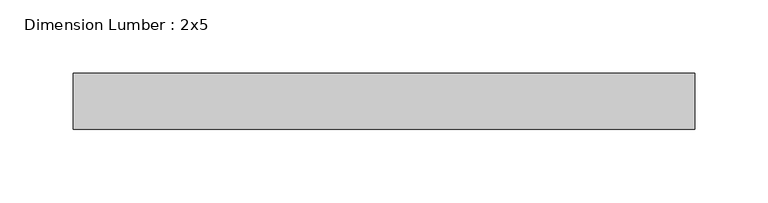
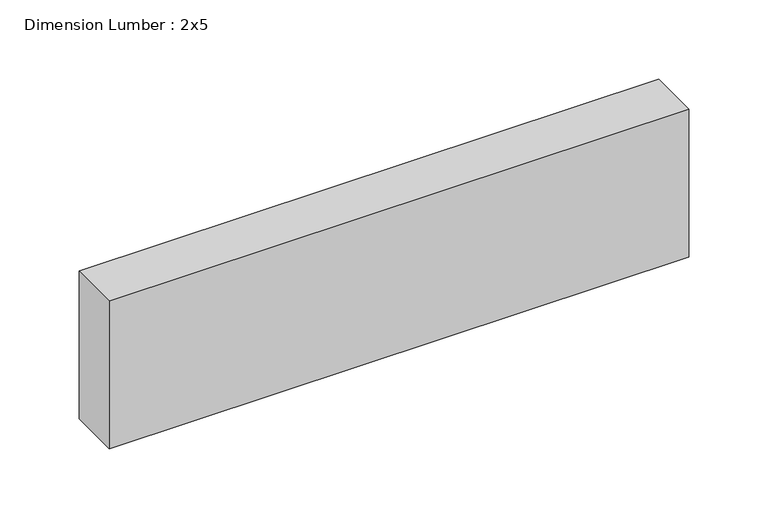
"""IFC4 building model written with IfcOpenShell, lengths in millimetres: beam geometry, Dimension Lumber : 2x5."""

import ifcopenshell
import ifcopenshell.guid

model = None  # the IFC model being written
_history = None  # IfcOwnerHistory: only IFC2X3 demands one
_inside = {}  # id of a spatial element -> (the spatial element, [elements in it])
_under = {}  # id of a project, library or spatial element -> (it, [spatial elements below it])
_declared = {}  # id of a project -> (the project, [libraries it declares])
_typed = {}  # id of a type object -> (the type object, [elements of that type])
_made_of = {}  # id of a material, layer set ... -> (it, [elements and type objects made of it])


def new_model(schema):
    """Start an empty IFC model of exactly this schema.

    Asked for "IFC4X3", IfcOpenShell would pick the latest addendum, in which some entities
    have other attributes; the version numbers below select the first issue.
    IFC2X3 requires an IfcOwnerHistory on every rooted entity: one is made here for all.
    """
    global model, _history
    if schema == "IFC4X3":
        model = ifcopenshell.file(schema_version=(4, 3, 0, 0))
    else:
        model = ifcopenshell.file(schema=schema)
    _inside.clear()
    _under.clear()
    _declared.clear()
    _typed.clear()
    _made_of.clear()
    _history = None
    if model.schema == "IFC2X3":
        org = make("IfcOrganization", Name="unknown")
        user = make(
            "IfcPersonAndOrganization",
            ThePerson=make("IfcPerson", FamilyName="unknown"),
            TheOrganization=org,
        )
        app = make(
            "IfcApplication",
            ApplicationDeveloper=org,
            Version="unknown",
            ApplicationFullName="unknown",
            ApplicationIdentifier="unknown",
        )
        _history = make(
            "IfcOwnerHistory",
            OwningUser=user,
            OwningApplication=app,
            ChangeAction="ADDED",
            CreationDate=0,
        )
    return model


def make(cls, **values):
    """One entity of the class cls with the attributes given. An attribute that is None is left unset."""
    return model.create_entity(
        cls, **{name: value for name, value in values.items() if value is not None}
    )


def rooted(cls, **values):
    """An entity with a GlobalId (a new one), such as an element, a storey or a relation."""
    return make(cls, GlobalId=ifcopenshell.guid.new(), OwnerHistory=_history, **values)


def si_unit(unit_type, name, prefix=None):
    """IfcSIUnit, for example si_unit("LENGTHUNIT", "METRE", prefix="MILLI")."""
    return make("IfcSIUnit", UnitType=unit_type, Prefix=prefix, Name=name)


def assignment(units):
    """IfcUnitAssignment: the units of a project."""
    return None if units is None else make("IfcUnitAssignment", Units=units)


def point(xyz):
    """IfcCartesianPoint."""
    return None if xyz is None else make("IfcCartesianPoint", Coordinates=xyz)


def direction(xyz):
    """IfcDirection."""
    return None if xyz is None else make("IfcDirection", DirectionRatios=xyz)


def frame(location, z_axis=None, x_axis=None):
    """IfcAxis2Placement3D, a coordinate frame: its origin and axes. An axis left out is left unset."""
    return make(
        "IfcAxis2Placement3D",
        Location=point(location),
        Axis=direction(z_axis),
        RefDirection=direction(x_axis),
    )


def origin():
    """The frame at (0, 0, 0) with its axes left unset."""
    return frame((0.0, 0.0, 0.0))


def place(relative_to, where):
    """IfcLocalPlacement: puts the frame where relative to a parent placement (None: the world)."""
    return make(
        "IfcLocalPlacement", PlacementRelTo=relative_to, RelativePlacement=where
    )


def context(
    kind, dimensions, precision=None, world=None, true_north=None, identifier=None
):
    """IfcGeometricRepresentationContext, for example the 3D "Model" context."""
    return make(
        "IfcGeometricRepresentationContext",
        ContextIdentifier=identifier,
        ContextType=kind,
        CoordinateSpaceDimension=dimensions,
        Precision=precision,
        WorldCoordinateSystem=world,
        TrueNorth=true_north,
    )


def project(units=None, contexts=None):
    """IfcProject with its units and contexts."""
    return rooted(
        "IfcProject",
        Name="project",
        RepresentationContexts=contexts,
        UnitsInContext=assignment(units),
    )


def spatial(cls, under=None, at=None, **own):
    """A site, building, storey or space (cls), placed at a placement, below another one or the project."""
    s = rooted(cls, ObjectPlacement=at, **own)
    if under is not None:
        _under.setdefault(under.id(), (under, []))[1].append(s)
    return s


def polyline(points):
    """IfcPolyline through the points."""
    return make("IfcPolyline", Points=[point(p) for p in points])


def outline(outer, holes=None, kind="AREA"):
    """IfcArbitraryClosedProfileDef: a profile drawn as a closed curve; with holes, ...WithVoids."""
    if holes is None:
        return make("IfcArbitraryClosedProfileDef", ProfileType=kind, OuterCurve=outer)
    return make(
        "IfcArbitraryProfileDefWithVoids",
        ProfileType=kind,
        OuterCurve=outer,
        InnerCurves=holes,
    )


def extrude(swept, where, along, depth):
    """IfcExtrudedAreaSolid: the profile swept, set in the frame where, extruded along a direction by depth."""
    return make(
        "IfcExtrudedAreaSolid",
        SweptArea=swept,
        Position=where,
        ExtrudedDirection=direction(along),
        Depth=depth,
    )


def shape(context_of_items, identifier, shape_type, items):
    """IfcShapeRepresentation: the items that make up one representation, for example the "Body"."""
    return make(
        "IfcShapeRepresentation",
        ContextOfItems=context_of_items,
        RepresentationIdentifier=identifier,
        RepresentationType=shape_type,
        Items=items,
    )


def source(mapping_origin, context_of_items, identifier, shape_type, items):
    """IfcRepresentationMap: a shape defined once, which mapped items show again and again."""
    return make(
        "IfcRepresentationMap",
        MappingOrigin=mapping_origin,
        MappedRepresentation=shape(context_of_items, identifier, shape_type, items),
    )


def transform(
    local_origin,
    x_axis=None,
    y_axis=None,
    z_axis=None,
    scale=None,
    scale2=None,
    scale3=None,
    uniform=True,
):
    """IfcCartesianTransformationOperator3D, or its non-uniform kind. x_axis, y_axis, z_axis: its Axis1, 2, 3."""
    if uniform:
        return make(
            "IfcCartesianTransformationOperator3D",
            Axis1=direction(x_axis),
            Axis2=direction(y_axis),
            LocalOrigin=point(local_origin),
            Scale=scale,
            Axis3=direction(z_axis),
        )
    return make(
        "IfcCartesianTransformationOperator3DnonUniform",
        Axis1=direction(x_axis),
        Axis2=direction(y_axis),
        LocalOrigin=point(local_origin),
        Scale=scale,
        Axis3=direction(z_axis),
        Scale2=scale2,
        Scale3=scale3,
    )


def mapped(mapping_source, mapping_target):
    """IfcMappedItem: shows the shape of a source again, moved by a transform."""
    return make(
        "IfcMappedItem", MappingSource=mapping_source, MappingTarget=mapping_target
    )


def made_of(thing, what):
    """Note that an element or type object is made of a material, layer set ...; save() writes the relation."""
    if what is not None:
        _made_of.setdefault(what.id(), (what, []))[1].append(thing)
    return thing


def element(
    cls,
    number,
    at=None,
    inside=None,
    cuts=None,
    type_object=None,
    material=None,
    context=None,
    identifier="Body",
    shape_type=None,
    held_by="IfcProductDefinitionShape",
    body=None,
    shapes=None,
    **own,
):
    """One element of the class cls, such as IfcWall. Its Tag is "e" and its number.

    at: its placement. inside: the storey or other place that contains it. cuts: it is an
    opening in that element (IfcRelVoidsElement). A single representation is given by context,
    identifier, shape_type and body (its items); several are given by shapes. held_by: the class
    of the entity that holds the representations. save() writes the other relations.
    """
    e = rooted(cls, Tag="e%d" % number, ObjectPlacement=at, **own)
    if body is not None:
        shapes = [shape(context, identifier, shape_type, body)]
    if shapes is not None:
        e.Representation = make(held_by, Representations=shapes)
    if inside is not None:
        _inside.setdefault(inside.id(), (inside, []))[1].append(e)
    if cuts is not None:
        rooted(
            "IfcRelVoidsElement", RelatingBuildingElement=cuts, RelatedOpeningElement=e
        )
    if type_object is not None:
        _typed.setdefault(type_object.id(), (type_object, []))[1].append(e)
    return made_of(e, material)


def aggregate(whole, parts):
    """IfcRelAggregates: a whole, such as a stair, and the parts it consists of."""
    return rooted("IfcRelAggregates", RelatingObject=whole, RelatedObjects=parts)


def save(model, path):
    """Write the relations noted so far, then the file.

    IfcRelAggregates (storeys below a building ...), IfcRelContainedInSpatialStructure (elements
    in a storey), IfcRelDefinesByType, IfcRelAssociatesMaterial and IfcRelDeclares: one each for
    every whole, place, type object, material and project.
    """
    for whole, parts in _under.values():
        aggregate(whole, parts)
    for where, things in _inside.values():
        rooted(
            "IfcRelContainedInSpatialStructure",
            RelatedElements=things,
            RelatingStructure=where,
        )
    for kind, things in _typed.values():
        rooted("IfcRelDefinesByType", RelatedObjects=things, RelatingType=kind)
    for what, things in _made_of.values():
        rooted("IfcRelAssociatesMaterial", RelatedObjects=things, RelatingMaterial=what)
    for by, libraries in _declared.values():
        rooted("IfcRelDeclares", RelatingContext=by, RelatedDefinitions=libraries)
    model.write(path)


def dimension_lumber_2x5_6a1e1f8c(model_context):
    return source(origin(), model_context, "Body", "SweptSolid", [
        extrude(outline(polyline([(211.327785, 19.05), (211.327785, -19.05), (-211.327785, -19.05), (-211.327785, 19.05), (211.327785, 19.05)])), frame((0.0, 0.0, -57.15), z_axis=(0.0, 0.0, 1.0), x_axis=(1.0, 0.0, 0.0)), (0.0, 0.0, 1.0), 114.3),
    ])


if __name__ == "__main__":
    model = new_model("IFC4")
    model_context = context("Model", 3, world=origin())
    ifc_project = project(units=[si_unit("LENGTHUNIT", "METRE", prefix="MILLI")], contexts=[model_context])
    site = spatial("IfcSite", under=ifc_project)
    building = spatial("IfcBuilding", under=site)
    placement = place(None, origin())
    dimension_lumber_2x5_shape = dimension_lumber_2x5_6a1e1f8c(model_context)
    element("IfcBeam", 1, ObjectType="Dimension Lumber : 2x5", at=placement, inside=building, context=model_context, shape_type="MappedRepresentation", body=[
        mapped(dimension_lumber_2x5_shape, transform((0.0, 0.0, 0.0), x_axis=(1.0, 0.0, 0.0), y_axis=(0.0, 1.0, 0.0), z_axis=(0.0, 0.0, 1.0))),
    ])
    save(model, "model.ifc")
